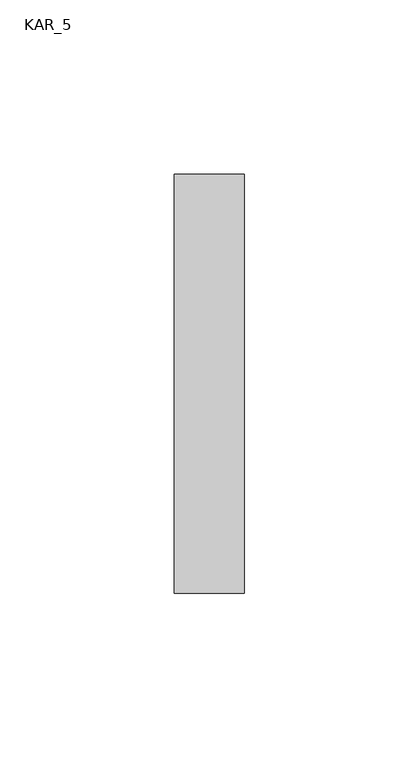
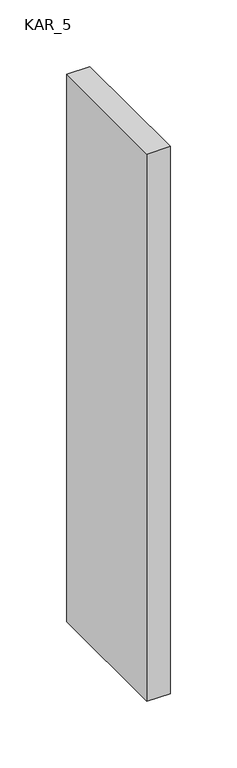
"""IFC4 building model written with IfcOpenShell, lengths in millimetres: proxy geometry, KAR_5."""

from ifc_helpers import new_model, si_unit, frame, origin, place, context, project, spatial, polyline, outline, extrude, source, transform, mapped, element, save


def kar_5_250847cd(model_context):
    return source(origin(), model_context, "Body", "SweptSolid", [
        extrude(outline(polyline([(20.0, 120.0), (20.0, 0.0), (0.0, 0.0), (0.0, 120.0), (20.0, 120.0)])), frame((0.0, 0.0, 1900.0), z_axis=(0.0, 0.0, 1.0), x_axis=(1.0, 0.0, 0.0)), (0.0, 0.0, 1.0), 500.0),
    ])


if __name__ == "__main__":
    model = new_model("IFC4")
    model_context = context("Model", 3, world=origin())
    ifc_project = project(units=[si_unit("LENGTHUNIT", "METRE", prefix="MILLI")], contexts=[model_context])
    site = spatial("IfcSite", under=ifc_project)
    building = spatial("IfcBuilding", under=site)
    placement = place(None, origin())
    kar_5_shape = kar_5_250847cd(model_context)
    element("IfcBuildingElementProxy", 1, Name="KAR_5", ObjectType="KAR_5", at=placement, inside=building, context=model_context, shape_type="MappedRepresentation", body=[
        mapped(kar_5_shape, transform((0.0, 0.0, 0.0), x_axis=(1.0, 0.0, 0.0), y_axis=(0.0, 1.0, 0.0), z_axis=(0.0, 0.0, 1.0))),
    ])
    save(model, "model.ifc")
